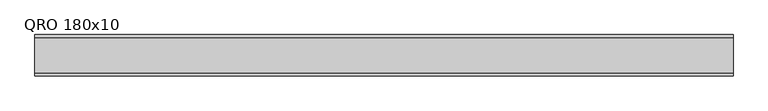
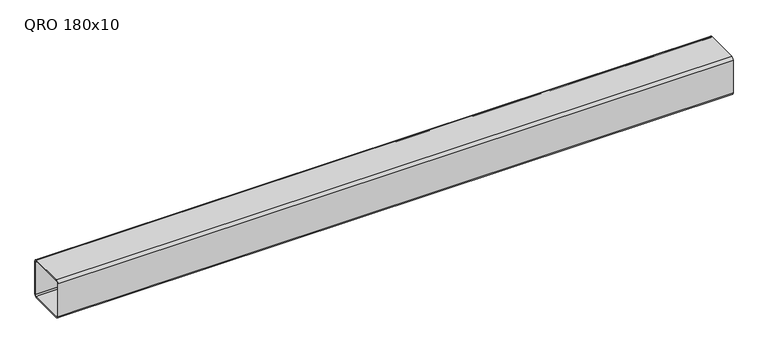
"""IFC4 building model written with IfcOpenShell, lengths in millimetres: beam geometry, QRO 180x10."""

from ifc_helpers import new_model, si_unit, point, frame, frame_2d, origin, place, context, project, spatial, polyline, circle_curve, trimmed, segment, composite_curve, outline, extrude, source, transform, mapped, element, save


def qro_180x10_41354021(model_context):
    return source(origin(), model_context, "Body", "SweptSolid", [
        extrude(outline(composite_curve([segment(polyline([(90.0, 78.0), (90.0, -78.0)]), True, "CONTINUOUS"), segment(trimmed(circle_curve(frame_2d((78.0, -78.0)), 12.0), [point((90.0, -78.0))], [point((78.0, -90.0))], False, "CARTESIAN"), True, "CONTINUOUS"), segment(polyline([(78.0, -90.0), (-78.0, -90.0)]), True, "CONTINUOUS"), segment(trimmed(circle_curve(frame_2d((-78.0, -78.0)), 12.0), [point((-78.0, -90.0))], [point((-90.0, -78.0))], False, "CARTESIAN"), True, "CONTINUOUS"), segment(polyline([(-90.0, -78.0), (-90.0, 78.0)]), True, "CONTINUOUS"), segment(trimmed(circle_curve(frame_2d((-78.0, 78.0)), 12.0), [point((-90.0, 78.0))], [point((-78.0, 90.0))], False, "CARTESIAN"), True, "CONTINUOUS"), segment(polyline([(-78.0, 90.0), (78.0, 90.0)]), True, "CONTINUOUS"), segment(trimmed(circle_curve(frame_2d((78.0, 78.0)), 12.0), [point((78.0, 90.0))], [point((90.0, 78.0))], False, "CARTESIAN"), True, "CONTINUOUS")], self_intersect=False), holes=[composite_curve([segment(trimmed(circle_curve(frame_2d((-78.0, 78.0)), 6.0), [point((-78.0, 84.0))], [point((-84.0, 78.0))], True, "CARTESIAN"), True, "CONTINUOUS"), segment(polyline([(-84.0, 78.0), (-84.0, -78.0)]), True, "CONTINUOUS"), segment(trimmed(circle_curve(frame_2d((-78.0, -78.0)), 6.0), [point((-84.0, -78.0))], [point((-78.0, -84.0))], True, "CARTESIAN"), True, "CONTINUOUS"), segment(polyline([(-78.0, -84.0), (78.0, -84.0)]), True, "CONTINUOUS"), segment(trimmed(circle_curve(frame_2d((78.0, -78.0)), 6.0), [point((78.0, -84.0))], [point((84.0, -78.0))], True, "CARTESIAN"), True, "CONTINUOUS"), segment(polyline([(84.0, -78.0), (84.0, 78.0)]), True, "CONTINUOUS"), segment(trimmed(circle_curve(frame_2d((78.0, 78.0)), 6.0), [point((84.0, 78.0))], [point((78.0, 84.0))], True, "CARTESIAN"), True, "CONTINUOUS"), segment(polyline([(78.0, 84.0), (-78.0, 84.0)]), True, "CONTINUOUS")], self_intersect=False)]), frame((-1507.9735633, 0.0, 0.0), z_axis=(1.0, 0.0, 0.0), x_axis=(0.0, 1.0, 0.0)), (0.0, 0.0, 1.0), 3050.6420491),
    ])


if __name__ == "__main__":
    model = new_model("IFC4")
    model_context = context("Model", 3, world=origin())
    ifc_project = project(units=[si_unit("LENGTHUNIT", "METRE", prefix="MILLI")], contexts=[model_context])
    site = spatial("IfcSite", under=ifc_project)
    building = spatial("IfcBuilding", under=site)
    placement = place(None, origin())
    qro_180x10_shape = qro_180x10_41354021(model_context)
    element("IfcBeam", 1, ObjectType="QRO 180x10", at=placement, inside=building, context=model_context, shape_type="MappedRepresentation", body=[
        mapped(qro_180x10_shape, transform((0.0, 0.0, 0.0), x_axis=(1.0, 0.0, 0.0), y_axis=(0.0, 1.0, 0.0), z_axis=(0.0, 0.0, 1.0))),
    ])
    save(model, "model.ifc")
